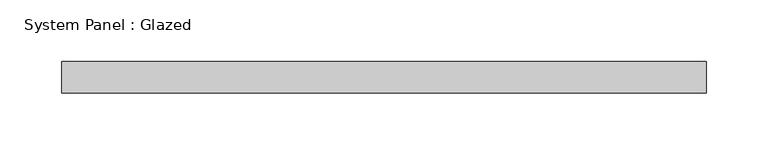
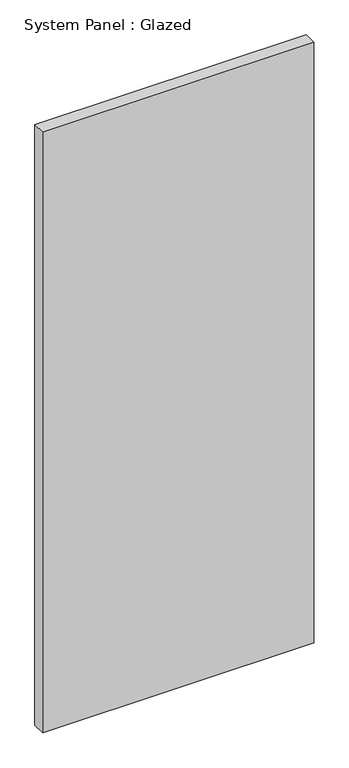
"""IFC4 building model written with IfcOpenShell, lengths in millimetres: plate geometry, System Panel : Glazed."""

from ifc_helpers import new_model, si_unit, origin, origin_with_axes, place, context, project, spatial, polyline, outline, extrude, source, transform, mapped, element, save


def system_panel_glazed_b4adc3fa(model_context):
    return source(origin(), model_context, "Body", "SweptSolid", [
        extrude(outline(polyline([(260.35, 19.05), (-260.35, 19.05), (-260.35, 44.45), (260.35, 44.45), (260.35, 19.05)])), origin_with_axes(), (0.0, 0.0, 1.0), 1219.2),
    ])


if __name__ == "__main__":
    model = new_model("IFC4")
    model_context = context("Model", 3, world=origin())
    ifc_project = project(units=[si_unit("LENGTHUNIT", "METRE", prefix="MILLI")], contexts=[model_context])
    site = spatial("IfcSite", under=ifc_project)
    building = spatial("IfcBuilding", under=site)
    placement = place(None, origin())
    system_panel_glazed_shape = system_panel_glazed_b4adc3fa(model_context)
    element("IfcPlate", 1, ObjectType="System Panel : Glazed", at=placement, inside=building, context=model_context, shape_type="MappedRepresentation", body=[
        mapped(system_panel_glazed_shape, transform((0.0, 0.0, 0.0), x_axis=(1.0, 0.0, 0.0), y_axis=(0.0, 1.0, 0.0), z_axis=(0.0, 0.0, 1.0))),
    ])
    save(model, "model.ifc")
